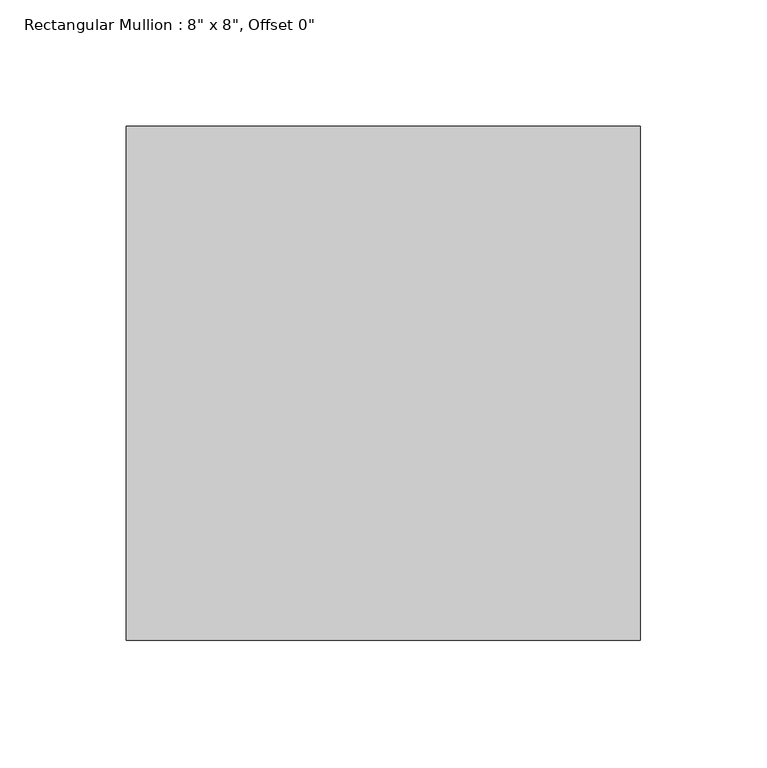
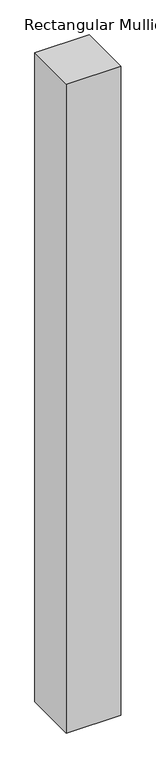
"""IFC4 building model written with IfcOpenShell, lengths in millimetres: member geometry."""

from ifc_helpers import new_model, si_unit, frame, origin, place, context, project, spatial, polyline, outline, extrude, source, transform, mapped, element, save


def member_f96c6e7b(model_context):
    return source(origin(), model_context, "Body", "SweptSolid", [
        extrude(outline(polyline([(101.6, 101.6), (101.6, -101.6), (-101.6, -101.6), (-101.6, 101.6), (101.6, 101.6)])), frame((0.0, 0.0, -2565.4), z_axis=(0.0, 0.0, 1.0), x_axis=(1.0, 0.0, 0.0)), (0.0, 0.0, 1.0), 2565.4),
    ])


if __name__ == "__main__":
    model = new_model("IFC4")
    model_context = context("Model", 3, world=origin())
    ifc_project = project(units=[si_unit("LENGTHUNIT", "METRE", prefix="MILLI")], contexts=[model_context])
    site = spatial("IfcSite", under=ifc_project)
    building = spatial("IfcBuilding", under=site)
    placement = place(None, origin())
    member_shape = member_f96c6e7b(model_context)
    element("IfcMember", 1, ObjectType="Rectangular Mullion : 8\" x 8\", Offset 0\"", at=placement, inside=building, context=model_context, shape_type="MappedRepresentation", body=[
        mapped(member_shape, transform((0.0, 0.0, 0.0), x_axis=(1.0, 0.0, 0.0), y_axis=(0.0, 1.0, 0.0), z_axis=(0.0, 0.0, 1.0))),
    ])
    save(model, "model.ifc")
